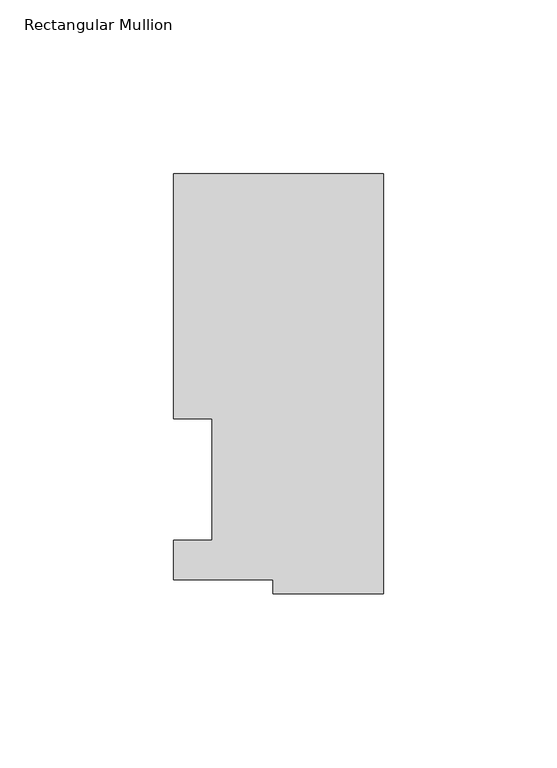
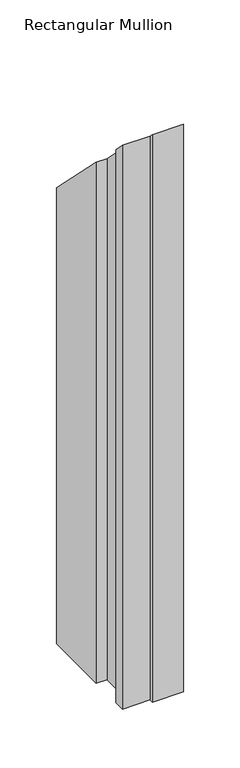
"""IFC4 building model written with IfcOpenShell, lengths in millimetres: member geometry, Rectangular Mullion."""

from ifc_helpers import new_model, si_unit, origin, place, context, project, spatial, faceted_brep, source, transform, mapped, element, save


def rectangular_mullion_c9cec703(model_context):
    return source(origin(), model_context, "Body", "Brep", [
        faceted_brep([(-60.325, 117.4859878, -609.6), (0.0, 117.4859878, -609.6), (0.0, -3.3164122, -609.6), (-31.75, -3.3164122, -609.6), (-31.75, 0.7221701, -609.6), (-60.325, 0.7221701, -609.6), (-60.325, 12.1267878, -609.6), (-49.2252, 12.1267878, -609.6), (-49.2252, 47.0517878, -609.6), (-60.325, 47.0517878, -609.6), (-60.325, 47.0517878, -47.0517878), (-60.325, 117.4859878, -117.4859878), (-49.2252, 47.0517878, -47.0517878), (-49.2252, 12.1267878, -12.1267878), (-60.325, 12.1267878, -12.1267878), (-60.325, 0.7221701, -0.7221701), (-31.75, 0.7221701, -0.7221701), (-31.75, -3.3164122, 3.3164122), (0.0, -3.3164122, 3.3164122), (0.0, 117.4859878, -117.4859878)], [[[0, 1, 2, 3, 4, 5, 6, 7, 8, 9]], [[10, 11, 0, 9]], [[12, 10, 9, 8]], [[13, 12, 8, 7]], [[14, 13, 7, 6]], [[15, 14, 6, 5]], [[16, 15, 5, 4]], [[17, 16, 4, 3]], [[18, 17, 3, 2]], [[19, 18, 2, 1]], [[11, 19, 1, 0]], [[11, 10, 12, 13, 14, 15, 16, 17, 18, 19]]]),
    ])


if __name__ == "__main__":
    model = new_model("IFC4")
    model_context = context("Model", 3, world=origin())
    ifc_project = project(units=[si_unit("LENGTHUNIT", "METRE", prefix="MILLI")], contexts=[model_context])
    site = spatial("IfcSite", under=ifc_project)
    building = spatial("IfcBuilding", under=site)
    placement = place(None, origin())
    rectangular_mullion_shape = rectangular_mullion_c9cec703(model_context)
    element("IfcMember", 1, ObjectType="Rectangular Mullion", at=placement, inside=building, context=model_context, shape_type="MappedRepresentation", body=[
        mapped(rectangular_mullion_shape, transform((0.0, 0.0, 0.0), x_axis=(1.0, 0.0, 0.0), y_axis=(0.0, 1.0, 0.0), z_axis=(0.0, 0.0, 1.0))),
    ])
    save(model, "model.ifc")
